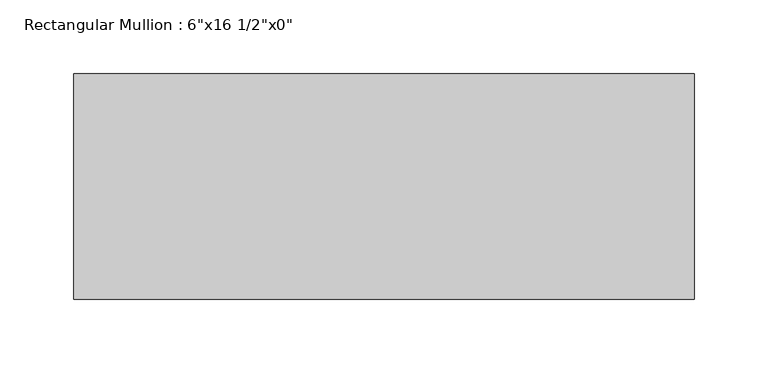
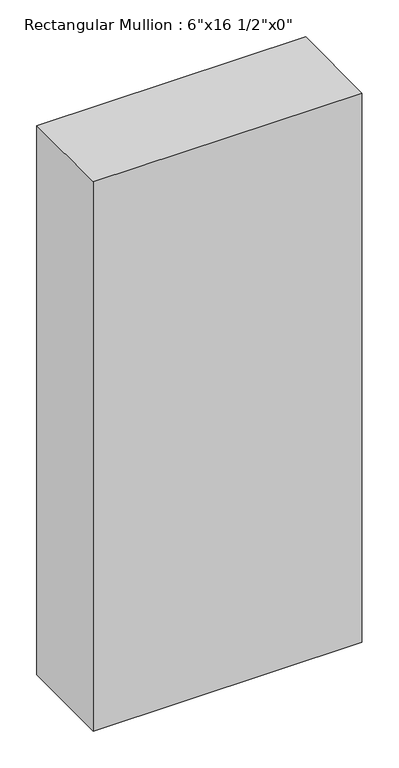
"""IFC4 building model written with IfcOpenShell, lengths in millimetres: member geometry."""

from ifc_helpers import new_model, si_unit, frame, origin, place, context, project, spatial, polyline, outline, extrude, source, transform, mapped, element, save


def member_6504e54d(model_context):
    return source(origin(), model_context, "Body", "SweptSolid", [
        extrude(outline(polyline([(0.0, 76.2), (0.0, -76.2), (-419.1, -76.2), (-419.1, 76.2), (0.0, 76.2)])), frame((0.0, 0.0, -905.9333333), z_axis=(0.0, 0.0, 1.0), x_axis=(1.0, 0.0, 0.0)), (0.0, 0.0, 1.0), 905.9333333),
    ])


if __name__ == "__main__":
    model = new_model("IFC4")
    model_context = context("Model", 3, world=origin())
    ifc_project = project(units=[si_unit("LENGTHUNIT", "METRE", prefix="MILLI")], contexts=[model_context])
    site = spatial("IfcSite", under=ifc_project)
    building = spatial("IfcBuilding", under=site)
    placement = place(None, origin())
    member_shape = member_6504e54d(model_context)
    element("IfcMember", 1, ObjectType="Rectangular Mullion : 6\"x16 1/2\"x0\"", at=placement, inside=building, context=model_context, shape_type="MappedRepresentation", body=[
        mapped(member_shape, transform((0.0, 0.0, 0.0), x_axis=(1.0, 0.0, 0.0), y_axis=(0.0, 1.0, 0.0), z_axis=(0.0, 0.0, 1.0))),
    ])
    save(model, "model.ifc")
